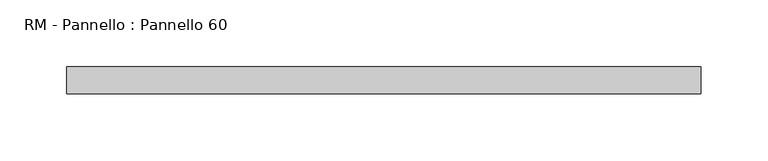
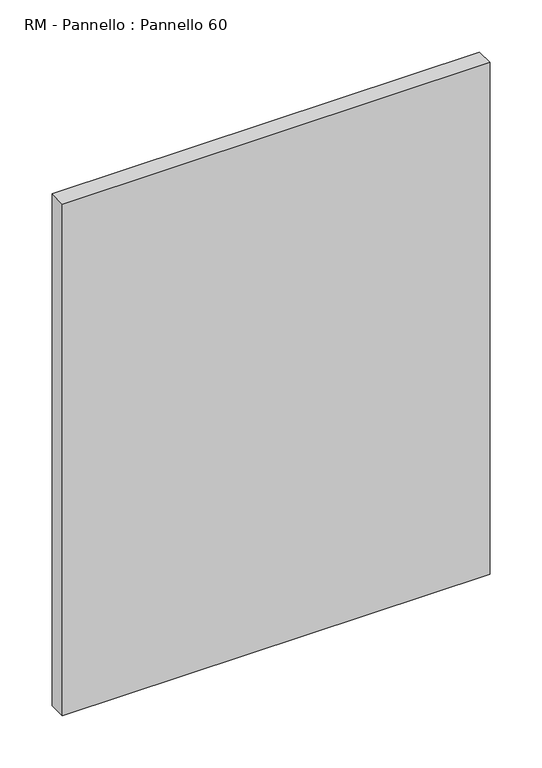
"""IFC4 building model written with IfcOpenShell, lengths in millimetres: plate geometry, RM - Pannello : Pannello 60."""

from ifc_helpers import new_model, si_unit, origin, origin_with_axes, place, context, project, spatial, polyline, outline, extrude, source, transform, mapped, element, save


def rm_pannello_pannello_60_34c7d4ac(model_context):
    return source(origin(), model_context, "Body", "SweptSolid", [
        extrude(outline(polyline([(237.0, -200.0), (-237.0, -200.0), (-237.0, -180.0), (237.0, -180.0), (237.0, -200.0)])), origin_with_axes(), (0.0, 0.0, 1.0), 600.0),
    ])


if __name__ == "__main__":
    model = new_model("IFC4")
    model_context = context("Model", 3, world=origin())
    ifc_project = project(units=[si_unit("LENGTHUNIT", "METRE", prefix="MILLI")], contexts=[model_context])
    site = spatial("IfcSite", under=ifc_project)
    building = spatial("IfcBuilding", under=site)
    placement = place(None, origin())
    rm_pannello_pannello_60_shape = rm_pannello_pannello_60_34c7d4ac(model_context)
    element("IfcPlate", 1, ObjectType="RM - Pannello : Pannello 60", at=placement, inside=building, context=model_context, shape_type="MappedRepresentation", body=[
        mapped(rm_pannello_pannello_60_shape, transform((0.0, 0.0, 0.0), x_axis=(1.0, 0.0, 0.0), y_axis=(0.0, 1.0, 0.0), z_axis=(0.0, 0.0, 1.0))),
    ])
    save(model, "model.ifc")
